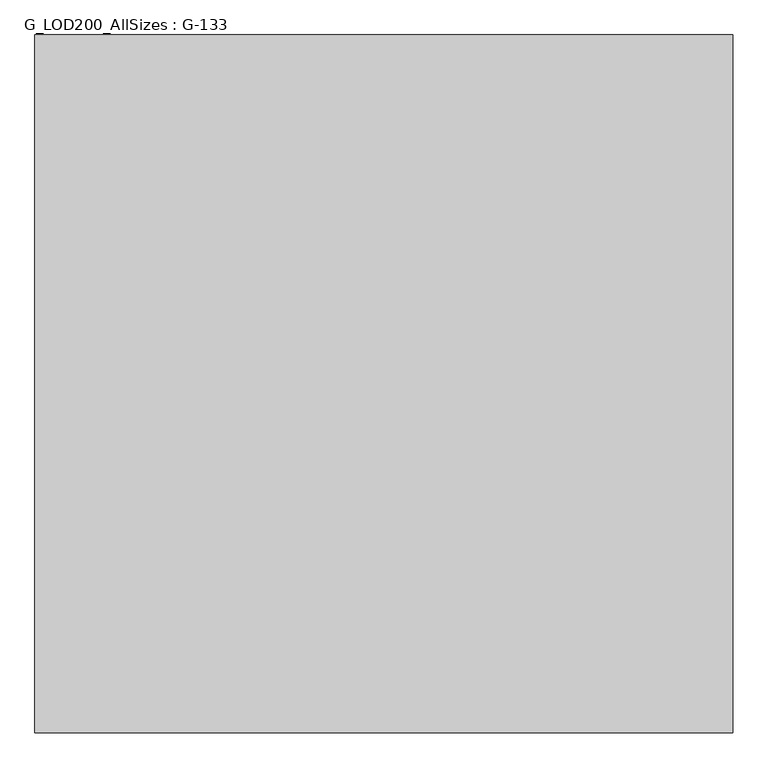
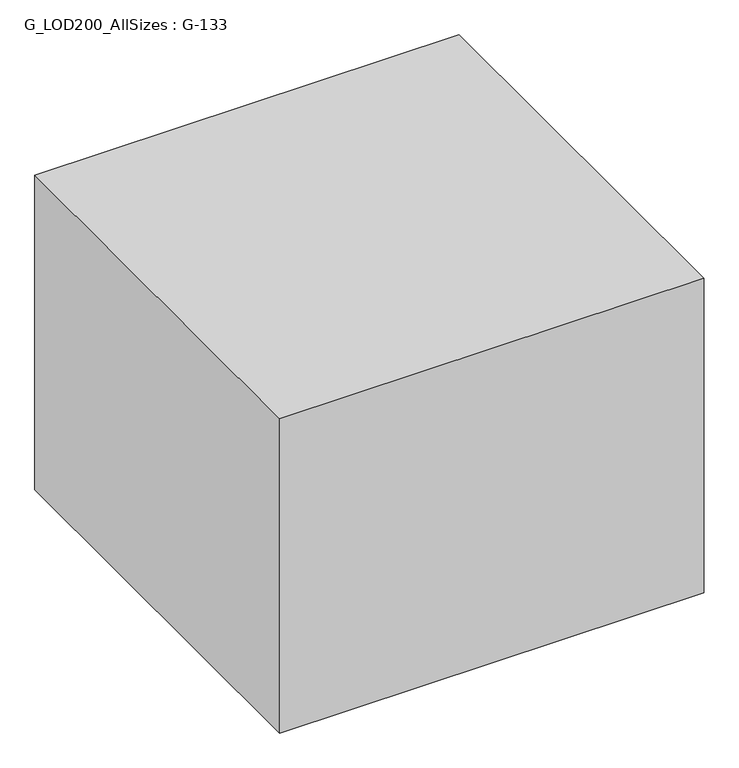
"""IFC4 building model written with IfcOpenShell, lengths in millimetres: proxy geometry, G_LOD200_AllSizes : G-133."""

from ifc_helpers import new_model, si_unit, point, frame, origin, origin_with_axes, place, context, project, spatial, polyline, circle_curve, ellipse_curve, trimmed, outline, extrude, faceted_brep, source, transform, mapped, element, save
from ifc_brep_helpers import plane_surface, cylinder_surface, revolved_surface, advanced_brep


def g_lod200_allsizes_g_133_3ed50d48(model_context):
    return source(origin(), model_context, "Body", "SolidModel", [
        extrude(outline(polyline([(-57.2124116, -222.25), (-501.7124116, -222.25), (-501.7124116, 222.25), (-57.2124116, 222.25), (-57.2124116, -222.25)]), holes=[polyline([(-476.3125132, -196.8501016), (-82.61231, -196.8501016), (-82.61231, 196.8501016), (-476.3125132, 196.8501016), (-476.3125132, -196.8501016)])]), origin_with_axes(), (0.0, 0.0, 1.0), 304.8),
        advanced_brep(
        [(-279.4624116, 0.0, 564.35625), (-8.9920991, 0.0, 564.35625), (-549.9327241, 0.0, 564.35625), (-640.2217866, 0.0, 414.3375), (81.2969634, 0.0, 414.3375), (-279.4624116, 0.0, 414.3375), (-640.2217866, 0.0, 474.067292), (81.2969634, 0.0, 474.0671875)],
        [
            (0, 1),
            (1, 2, circle_curve(frame((-279.4624116, 0.0, 564.35625), z_axis=(0.0, 0.0, 1.0), x_axis=(1.0, 0.0, 0.0)), 270.4703125)),
            (2, 0),
            (2, 1, circle_curve(frame((-279.4624116, 0.0, 564.35625), z_axis=(0.0, 0.0, 1.0), x_axis=(1.0, 0.0, 0.0)), 270.4703125)),
            (3, 4, circle_curve(frame((-279.4624116, 0.0, 414.3375), z_axis=(0.0, 0.0, -1.0), x_axis=(1.0, 0.0, 0.0)), 360.759375)),
            (4, 5),
            (5, 3),
            (4, 3, circle_curve(frame((-279.4624116, 0.0, 414.3375), z_axis=(0.0, 0.0, -1.0), x_axis=(1.0, 0.0, 0.0)), 360.759375)),
            (3, 6),
            (6, 7, circle_curve(frame((-279.4624116, 0.0, 474.0671875), z_axis=(0.0, 0.0, -1.0), x_axis=(1.0, 0.0, 0.0)), 360.759375)),
            (7, 4),
            (7, 6, circle_curve(frame((-279.4624116, 0.0, 474.0671875), z_axis=(0.0, 0.0, -1.0), x_axis=(1.0, 0.0, 0.0)), 360.759375)),
            (6, 2, circle_curve(frame((-549.9327241, 0.0, 474.0671875), z_axis=(0.0, 1.0, 0.0), x_axis=(-1.0, 0.0, 0.0)), 90.2890625)),
            (1, 7, circle_curve(frame((-8.9920991, 0.0, 474.0671875), z_axis=(0.0, 1.0, 0.0), x_axis=(1.0, 0.0, 0.0)), 90.2890625)),
        ],
        [
            plane_surface(frame((-279.4624116, 0.0, 564.35625), z_axis=(0.0, 0.0, 1.0), x_axis=(1.0, 0.0, 0.0))),
            plane_surface(frame((-279.4624116, 0.0, 414.3375), z_axis=(0.0, 0.0, -1.0), x_axis=(1.0, 0.0, 0.0))),
            cylinder_surface(frame((-279.4624116, 0.0, 414.3047007), z_axis=(0.0, 0.0, 1.0), x_axis=(1.0, 0.0, 0.0)), 360.759375),
            revolved_surface(trimmed(ellipse_curve(frame((-8.9920991, 0.0, 474.0671875), z_axis=(0.0, -1.0, 0.0), x_axis=(1.0, 0.0, 0.0)), 90.2890625, 90.2890625), [point((81.2969634, 0.0, 474.0671875))], [point((-8.9920991, 0.0, 564.35625))], True, "CARTESIAN"), (-279.4624116, 0.0, 544.0451031), (0.0, 0.0, 1.0)),
        ],
        [
            (0, [[1, 2, 3]]),
            (0, [[-1, -3, 4]]),
            (1, [[5, 6, 7]]),
            (1, [[-6, 8, -7]]),
            (2, [[-5, 9, 10, 11]]),
            (2, [[-8, -11, 12, -9]]),
            (3, [[13, -2, 14, -10]]),
            (3, [[-13, -12, -14, -4]]),
        ],
    ),
        faceted_brep([(-38.1624116, -241.3, 304.8), (-520.7624116, -241.3, 304.8), (-520.7624116, -241.3, 260.35), (-38.1624116, -241.3, 260.35), (-38.1624116, 241.3, 304.8), (-38.1624116, 241.3, 260.35), (-520.7624116, 241.3, 260.35), (-520.7624116, 241.3, 304.8), (-39.7499116, -239.7125, 260.35), (-39.7499116, 239.7125, 260.35), (-519.1749116, 239.7125, 260.35), (-519.1749116, -239.7125, 260.35), (-39.7499116, 239.7125, 303.2125), (-39.7499116, -239.7125, 303.2125), (-519.1749116, -239.7125, 303.2125), (-519.1749116, 239.7125, 303.2125)], [[[0, 1, 2, 3]], [[4, 5, 6, 7]], [[1, 0, 4, 7]], [[2, 1, 7, 6]], [[3, 2, 6, 5], [8, 9, 10, 11]], [[0, 3, 5, 4]], [[12, 13, 14, 15]], [[13, 12, 9, 8]], [[14, 13, 8, 11]], [[15, 14, 11, 10]], [[12, 15, 10, 9]]]),
        advanced_brep(
        [(-511.2374116, 0.0, 833.4375), (-47.6874116, 0.0, 833.4375), (-47.6874116, 0.0, 304.8), (-511.2374116, 0.0, 304.8), (-279.4624116, 0.0, 909.6375), (-123.8874116, 0.0, 909.6375), (-435.0374116, 0.0, 909.6375), (-279.4624116, 0.0, 304.8)],
        [
            (0, 1, circle_curve(frame((-279.4624116, 0.0, 833.4375), z_axis=(0.0, 0.0, -1.0), x_axis=(1.0, 0.0, 0.0)), 231.775)),
            (1, 2),
            (2, 3, circle_curve(frame((-279.4624116, 0.0, 304.8), z_axis=(0.0, 0.0, 1.0), x_axis=(1.0, 0.0, 0.0)), 231.775)),
            (3, 0),
            (1, 0, circle_curve(frame((-279.4624116, 0.0, 833.4375), z_axis=(0.0, 0.0, -1.0), x_axis=(1.0, 0.0, 0.0)), 231.775)),
            (3, 2, circle_curve(frame((-279.4624116, 0.0, 304.8), z_axis=(0.0, 0.0, 1.0), x_axis=(1.0, 0.0, 0.0)), 231.775)),
            (4, 5),
            (5, 6, circle_curve(frame((-279.4624116, 0.0, 909.6375), z_axis=(0.0, 0.0, 1.0), x_axis=(1.0, 0.0, 0.0)), 155.575)),
            (6, 4),
            (6, 5, circle_curve(frame((-279.4624116, 0.0, 909.6375), z_axis=(0.0, 0.0, 1.0), x_axis=(1.0, 0.0, 0.0)), 155.575)),
            (2, 7),
            (7, 3),
            (5, 1, circle_curve(frame((-123.8874116, 0.0, 833.4375), z_axis=(0.0, 1.0, 0.0), x_axis=(1.0, 0.0, 0.0)), 76.2)),
            (0, 6, circle_curve(frame((-435.0374116, 0.0, 833.4375), z_axis=(0.0, 1.0, 0.0), x_axis=(-1.0, 0.0, 0.0)), 76.2)),
        ],
        [
            cylinder_surface(frame((-279.4624116, 0.0, 353.0888052), z_axis=(0.0, 0.0, 1.0), x_axis=(1.0, 0.0, 0.0)), 231.775),
            plane_surface(frame((-279.4624116, 0.0, 909.6375), z_axis=(0.0, 0.0, 1.0), x_axis=(1.0, 0.0, 0.0))),
            plane_surface(frame((-279.4624116, 0.0, 304.8), z_axis=(0.0, 0.0, -1.0), x_axis=(1.0, 0.0, 0.0))),
            revolved_surface(trimmed(ellipse_curve(frame((-123.8874116, 0.0, 833.4375), z_axis=(0.0, -1.0, 0.0), x_axis=(1.0, 0.0, 0.0)), 76.2, 76.2), [point((-47.6874116, 0.0, 833.4375))], [point((-123.8874116, 0.0, 909.6375))], True, "CARTESIAN"), (-279.4624116, 0.0, 353.0888052), (0.0, 0.0, 1.0)),
        ],
        [
            (0, [[1, 2, 3, 4]]),
            (0, [[5, -4, 6, -2]]),
            (1, [[7, 8, 9]]),
            (1, [[-9, 10, -7]]),
            (2, [[-3, 11, 12]]),
            (2, [[-6, -12, -11]]),
            (3, [[-8, 13, -1, 14]]),
            (3, [[-10, -14, -5, -13]]),
        ],
    ),
        extrude(outline(polyline([(690.8969634, 970.359375), (690.8969634, -970.359375), (-1249.8217866, -970.359375), (-1249.8217866, 970.359375), (690.8969634, 970.359375)])), frame((0.0, 0.0, -0.0254), z_axis=(0.0, 0.0, 1.0), x_axis=(1.0, 0.0, 0.0)), (0.0, 0.0, 1.0), 1519.2629),
    ])


if __name__ == "__main__":
    model = new_model("IFC4")
    model_context = context("Model", 3, world=origin())
    ifc_project = project(units=[si_unit("LENGTHUNIT", "METRE", prefix="MILLI")], contexts=[model_context])
    site = spatial("IfcSite", under=ifc_project)
    building = spatial("IfcBuilding", under=site)
    placement = place(None, origin())
    g_lod200_allsizes_g_133_shape = g_lod200_allsizes_g_133_3ed50d48(model_context)
    element("IfcBuildingElementProxy", 1, Name="G_LOD200_AllSizes : G-133", ObjectType="G_LOD200_AllSizes : G-133", at=placement, inside=building, context=model_context, shape_type="MappedRepresentation", body=[
        mapped(g_lod200_allsizes_g_133_shape, transform((0.0, 0.0, 0.0), x_axis=(1.0, 0.0, 0.0), y_axis=(0.0, 1.0, 0.0), z_axis=(0.0, 0.0, 1.0))),
    ])
    save(model, "model.ifc")
